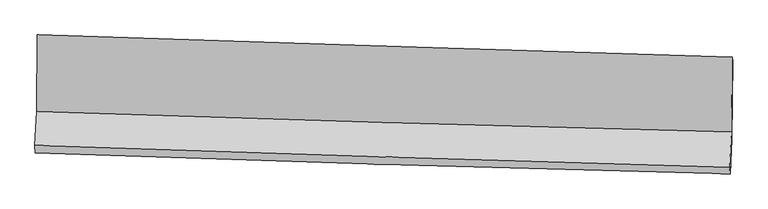
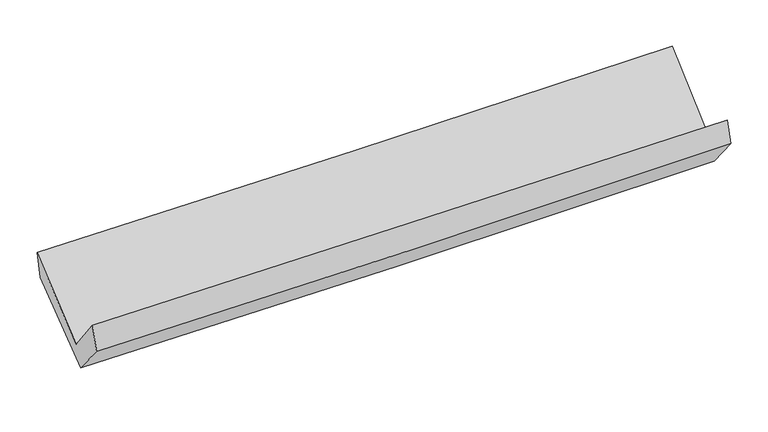
"""IFC4 building model written with IfcOpenShell, lengths in millimetres: proxy geometry."""

import ifcopenshell
import ifcopenshell.guid

model = None  # the IFC model being written
_history = None  # IfcOwnerHistory: only IFC2X3 demands one
_inside = {}  # id of a spatial element -> (the spatial element, [elements in it])
_under = {}  # id of a project, library or spatial element -> (it, [spatial elements below it])
_declared = {}  # id of a project -> (the project, [libraries it declares])
_typed = {}  # id of a type object -> (the type object, [elements of that type])
_made_of = {}  # id of a material, layer set ... -> (it, [elements and type objects made of it])


def new_model(schema):
    """Start an empty IFC model of exactly this schema.

    Asked for "IFC4X3", IfcOpenShell would pick the latest addendum, in which some entities
    have other attributes; the version numbers below select the first issue.
    IFC2X3 requires an IfcOwnerHistory on every rooted entity: one is made here for all.
    """
    global model, _history
    if schema == "IFC4X3":
        model = ifcopenshell.file(schema_version=(4, 3, 0, 0))
    else:
        model = ifcopenshell.file(schema=schema)
    _inside.clear()
    _under.clear()
    _declared.clear()
    _typed.clear()
    _made_of.clear()
    _history = None
    if model.schema == "IFC2X3":
        org = make("IfcOrganization", Name="unknown")
        user = make(
            "IfcPersonAndOrganization",
            ThePerson=make("IfcPerson", FamilyName="unknown"),
            TheOrganization=org,
        )
        app = make(
            "IfcApplication",
            ApplicationDeveloper=org,
            Version="unknown",
            ApplicationFullName="unknown",
            ApplicationIdentifier="unknown",
        )
        _history = make(
            "IfcOwnerHistory",
            OwningUser=user,
            OwningApplication=app,
            ChangeAction="ADDED",
            CreationDate=0,
        )
    return model


def make(cls, **values):
    """One entity of the class cls with the attributes given. An attribute that is None is left unset."""
    return model.create_entity(
        cls, **{name: value for name, value in values.items() if value is not None}
    )


def rooted(cls, **values):
    """An entity with a GlobalId (a new one), such as an element, a storey or a relation."""
    return make(cls, GlobalId=ifcopenshell.guid.new(), OwnerHistory=_history, **values)


def si_unit(unit_type, name, prefix=None):
    """IfcSIUnit, for example si_unit("LENGTHUNIT", "METRE", prefix="MILLI")."""
    return make("IfcSIUnit", UnitType=unit_type, Prefix=prefix, Name=name)


def assignment(units):
    """IfcUnitAssignment: the units of a project."""
    return None if units is None else make("IfcUnitAssignment", Units=units)


def point(xyz):
    """IfcCartesianPoint."""
    return None if xyz is None else make("IfcCartesianPoint", Coordinates=xyz)


def direction(xyz):
    """IfcDirection."""
    return None if xyz is None else make("IfcDirection", DirectionRatios=xyz)


def frame(location, z_axis=None, x_axis=None):
    """IfcAxis2Placement3D, a coordinate frame: its origin and axes. An axis left out is left unset."""
    return make(
        "IfcAxis2Placement3D",
        Location=point(location),
        Axis=direction(z_axis),
        RefDirection=direction(x_axis),
    )


def origin():
    """The frame at (0, 0, 0) with its axes left unset."""
    return frame((0.0, 0.0, 0.0))


def place(relative_to, where):
    """IfcLocalPlacement: puts the frame where relative to a parent placement (None: the world)."""
    return make(
        "IfcLocalPlacement", PlacementRelTo=relative_to, RelativePlacement=where
    )


def context(
    kind, dimensions, precision=None, world=None, true_north=None, identifier=None
):
    """IfcGeometricRepresentationContext, for example the 3D "Model" context."""
    return make(
        "IfcGeometricRepresentationContext",
        ContextIdentifier=identifier,
        ContextType=kind,
        CoordinateSpaceDimension=dimensions,
        Precision=precision,
        WorldCoordinateSystem=world,
        TrueNorth=true_north,
    )


def project(units=None, contexts=None):
    """IfcProject with its units and contexts."""
    return rooted(
        "IfcProject",
        Name="project",
        RepresentationContexts=contexts,
        UnitsInContext=assignment(units),
    )


def spatial(cls, under=None, at=None, **own):
    """A site, building, storey or space (cls), placed at a placement, below another one or the project."""
    s = rooted(cls, ObjectPlacement=at, **own)
    if under is not None:
        _under.setdefault(under.id(), (under, []))[1].append(s)
    return s


def shape(context_of_items, identifier, shape_type, items):
    """IfcShapeRepresentation: the items that make up one representation, for example the "Body"."""
    return make(
        "IfcShapeRepresentation",
        ContextOfItems=context_of_items,
        RepresentationIdentifier=identifier,
        RepresentationType=shape_type,
        Items=items,
    )


def source(mapping_origin, context_of_items, identifier, shape_type, items):
    """IfcRepresentationMap: a shape defined once, which mapped items show again and again."""
    return make(
        "IfcRepresentationMap",
        MappingOrigin=mapping_origin,
        MappedRepresentation=shape(context_of_items, identifier, shape_type, items),
    )


def transform(
    local_origin,
    x_axis=None,
    y_axis=None,
    z_axis=None,
    scale=None,
    scale2=None,
    scale3=None,
    uniform=True,
):
    """IfcCartesianTransformationOperator3D, or its non-uniform kind. x_axis, y_axis, z_axis: its Axis1, 2, 3."""
    if uniform:
        return make(
            "IfcCartesianTransformationOperator3D",
            Axis1=direction(x_axis),
            Axis2=direction(y_axis),
            LocalOrigin=point(local_origin),
            Scale=scale,
            Axis3=direction(z_axis),
        )
    return make(
        "IfcCartesianTransformationOperator3DnonUniform",
        Axis1=direction(x_axis),
        Axis2=direction(y_axis),
        LocalOrigin=point(local_origin),
        Scale=scale,
        Axis3=direction(z_axis),
        Scale2=scale2,
        Scale3=scale3,
    )


def mapped(mapping_source, mapping_target):
    """IfcMappedItem: shows the shape of a source again, moved by a transform."""
    return make(
        "IfcMappedItem", MappingSource=mapping_source, MappingTarget=mapping_target
    )


def made_of(thing, what):
    """Note that an element or type object is made of a material, layer set ...; save() writes the relation."""
    if what is not None:
        _made_of.setdefault(what.id(), (what, []))[1].append(thing)
    return thing


def element(
    cls,
    number,
    at=None,
    inside=None,
    cuts=None,
    type_object=None,
    material=None,
    context=None,
    identifier="Body",
    shape_type=None,
    held_by="IfcProductDefinitionShape",
    body=None,
    shapes=None,
    **own,
):
    """One element of the class cls, such as IfcWall. Its Tag is "e" and its number.

    at: its placement. inside: the storey or other place that contains it. cuts: it is an
    opening in that element (IfcRelVoidsElement). A single representation is given by context,
    identifier, shape_type and body (its items); several are given by shapes. held_by: the class
    of the entity that holds the representations. save() writes the other relations.
    """
    e = rooted(cls, Tag="e%d" % number, ObjectPlacement=at, **own)
    if body is not None:
        shapes = [shape(context, identifier, shape_type, body)]
    if shapes is not None:
        e.Representation = make(held_by, Representations=shapes)
    if inside is not None:
        _inside.setdefault(inside.id(), (inside, []))[1].append(e)
    if cuts is not None:
        rooted(
            "IfcRelVoidsElement", RelatingBuildingElement=cuts, RelatedOpeningElement=e
        )
    if type_object is not None:
        _typed.setdefault(type_object.id(), (type_object, []))[1].append(e)
    return made_of(e, material)


def aggregate(whole, parts):
    """IfcRelAggregates: a whole, such as a stair, and the parts it consists of."""
    return rooted("IfcRelAggregates", RelatingObject=whole, RelatedObjects=parts)


def save(model, path):
    """Write the relations noted so far, then the file.

    IfcRelAggregates (storeys below a building ...), IfcRelContainedInSpatialStructure (elements
    in a storey), IfcRelDefinesByType, IfcRelAssociatesMaterial and IfcRelDeclares: one each for
    every whole, place, type object, material and project.
    """
    for whole, parts in _under.values():
        aggregate(whole, parts)
    for where, things in _inside.values():
        rooted(
            "IfcRelContainedInSpatialStructure",
            RelatedElements=things,
            RelatingStructure=where,
        )
    for kind, things in _typed.values():
        rooted("IfcRelDefinesByType", RelatedObjects=things, RelatingType=kind)
    for what, things in _made_of.values():
        rooted("IfcRelAssociatesMaterial", RelatedObjects=things, RelatingMaterial=what)
    for by, libraries in _declared.values():
        rooted("IfcRelDeclares", RelatingContext=by, RelatedDefinitions=libraries)
    model.write(path)


def plane_surface(at):
    """IfcPlane: the flat surface through the origin of the frame at, square to its z axis."""
    return make("IfcPlane", Position=at)


def spline_curve(degree, points, multiplicities, knots, weights=None):
    """IfcBSplineCurveWithKnots; with weights, IfcRationalBSplineCurveWithKnots."""
    own = dict(
        Degree=degree,
        ControlPointsList=[point(p) for p in points],
        CurveForm="UNSPECIFIED",
        ClosedCurve=False,
        SelfIntersect=False,
        KnotMultiplicities=multiplicities,
        Knots=knots,
        KnotSpec="UNSPECIFIED",
    )
    if weights is None:
        return make("IfcBSplineCurveWithKnots", **own)
    return make("IfcRationalBSplineCurveWithKnots", WeightsData=weights, **own)


def spline_surface(u_degree, v_degree, points, u_multiplicities, v_multiplicities, u_knots, v_knots, weights=None):
    """IfcBSplineSurfaceWithKnots; with weights, IfcRationalBSplineSurfaceWithKnots. points: one row for each step in u."""
    own = dict(
        UDegree=u_degree,
        VDegree=v_degree,
        ControlPointsList=[[point(p) for p in row] for row in points],
        SurfaceForm="UNSPECIFIED",
        UClosed=False,
        VClosed=False,
        SelfIntersect=False,
        UMultiplicities=u_multiplicities,
        VMultiplicities=v_multiplicities,
        UKnots=u_knots,
        VKnots=v_knots,
        KnotSpec="UNSPECIFIED",
    )
    if weights is None:
        return make("IfcBSplineSurfaceWithKnots", **own)
    return make("IfcRationalBSplineSurfaceWithKnots", WeightsData=weights, **own)


def advanced_brep(points, edges, surfaces, faces):
    """IfcAdvancedBrep: a solid bounded by faces that lie on surfaces and meet in shared edges.

    An edge is (start, end): straight between two places in points (the first is 0);
    or (start, end, curve); or (start, end, curve, False) where it runs against its curve.
    A face is (place in surfaces, loops), or (place, loops, False) where it looks against
    its surface's normal. A loop lists edges by number (the first is 1), with a minus sign
    where the edge is run from its end to its start. The first loop is the outer one.
    """
    corners = [point(p) for p in points]
    vertices = [make("IfcVertexPoint", VertexGeometry=c) for c in corners]
    made = []
    for start, end, *more in edges:
        made.append(
            make(
                "IfcEdgeCurve",
                EdgeStart=vertices[start],
                EdgeEnd=vertices[end],
                EdgeGeometry=more[0] if more else make("IfcPolyline", Points=[corners[start], corners[end]]),
                SameSense=more[1] if len(more) > 1 else True,
            )
        )
    hull = []
    for where, loops, *sense in faces:
        bounds = []
        for j, loop in enumerate(loops):
            ring = [make("IfcOrientedEdge", EdgeElement=made[abs(k) - 1], Orientation=k > 0) for k in loop]
            bounds.append(
                make(
                    "IfcFaceOuterBound" if j == 0 else "IfcFaceBound",
                    Bound=make("IfcEdgeLoop", EdgeList=ring),
                    Orientation=True,
                )
            )
        hull.append(make("IfcAdvancedFace", Bounds=bounds, FaceSurface=surfaces[where], SameSense=sense[0] if sense else True))
    return make("IfcAdvancedBrep", Outer=make("IfcClosedShell", CfsFaces=hull))


def generic_models_9b398347(model_context):
    return source(origin(), model_context, "Body", "AdvancedBrep", [
        advanced_brep(
        [(-2403.6923637, -1120.4993484, 2190.8758229), (-2407.7572764, -1650.7548554, 1766.4346614), (2396.0136608, -1791.8190379, 1836.6489431), (2400.449327, -1273.3747433, 2283.8773229), (-2419.9825441, -1887.3800212, 2070.6564676), (2383.2339718, -2039.4934153, 2154.6725623), (-2417.4091492, -1939.2220253, 1888.3056628), (2385.4974003, -2082.9629738, 1985.7424093), (-2405.7135811, -1705.454863, 1605.8718507), (2397.5216999, -1842.9631725, 1695.4970586), (-2400.8111546, -1158.7020113, 2009.8056962), (2403.2406951, -1302.2551806, 2107.4276014)],
        [
            (0, 1),
            (1, 2, spline_curve(3, [(-2407.7572764, -1650.7548554, 1766.4346614), (-1607.213675977, -1679.000391928, 1781.425436314), (-806.565122748, -1704.879974709, 1794.77267079), (794.691921664, -1751.899891775, 1818.176405334), (1595.300347773, -1773.041703535, 1828.233931375), (2396.0136608, -1791.8190379, 1836.6489431)], [4, 2, 4], [0.0, 7.886574568198077, 15.770687229107953])),
            (2, 3),
            (3, 0, spline_curve(3, [(2400.449327, -1273.3747433, 2283.8773229), (1599.975205337, -1248.702688114, 2264.078125276), (799.45550732, -1223.629095487, 2246.429275381), (-801.925027882, -1172.670881403, 2215.427432429), (-1602.785893306, -1146.786008862, 2202.075782201), (-2403.6923637, -1120.4993484, 2190.8758229)], [4, 2, 4], [0.0, 7.884112660909876, 15.770687229107953])),
            (1, 4),
            (4, 5, spline_curve(3, [(-2419.9825441, -1887.3800212, 2070.6564676), (-1619.343509847, -1913.783234387, 2083.345925046), (-818.693463826, -1939.66285435, 2096.693190492), (782.378715201, -1990.366992003, 2124.698966023), (1582.800840997, -2015.191837048, 2139.357065356), (2383.2339718, -2039.4934153, 2154.6725623)], [4, 2, 4], [0.0, 7.88567783457751, 15.768894041795072])),
            (5, 2),
            (4, 6),
            (6, 7, spline_curve(3, [(-2417.4091492, -1939.2220253, 1888.3056628), (-1616.814880996, -1967.018896575, 1898.755290928), (-816.213052715, -1992.897315021, 1912.101553614), (784.75580162, -2040.809767132, 1944.582277332), (1585.122823356, -2062.844998057, 1963.714930255), (2385.4974003, -2082.9629738, 1985.7424093)], [4, 2, 4], [0.0, 7.885443143602878, 15.76842473310796])),
            (7, 5),
            (6, 8),
            (8, 9, spline_curve(3, [(-2405.7135811, -1705.454863, 1605.8718507), (-1605.170014012, -1734.291096434, 1617.624097514), (-804.566129589, -1760.169566259, 1630.970403027), (796.512334983, -1806.003823114, 1660.846467124), (1596.986877648, -1825.96145658, 1677.375231077), (2397.5216999, -1842.9631725, 1695.4970586)], [4, 2, 4], [0.0, 7.885232917446321, 15.768004346419954])),
            (9, 7),
            (8, 10),
            (10, 11, spline_curve(3, [(-2400.8111546, -1158.7020113, 2009.8056962), (-1599.978989086, -1186.54087924, 2020.233370065), (-799.162759578, -1212.42463954, 2033.584091901), (802.187847289, -1260.274475588, 2066.126551808), (1602.722234075, -1282.241771726, 2085.316464854), (2403.2406951, -1302.2551806, 2107.4276014)], [4, 2, 4], [0.0, 7.886171387472513, 15.769880993515468])),
            (11, 9),
            (10, 0),
            (3, 11),
        ],
        [
            spline_surface(3, 3, [[(-2403.6923637, -1120.4993484, 2190.8758229), (-1602.785893322, -1146.786008878, 2202.07578211), (-801.925027839, -1172.670881374, 2215.42743233), (799.455507278, -1223.629095516, 2246.42927548), (1599.975205325, -1248.702688019, 2264.078125265), (2400.449327, -1273.3747433, 2283.8773229)], [(-2405.047334587, -1297.25118404, 2049.395435738), (-1604.261820829, -1324.190803226, 2061.859000177), (-803.471726139, -1350.073912439, 2075.209178458), (797.867645467, -1399.719360961, 2103.678318764), (1598.416919471, -1423.482359826, 2118.796727344), (2398.970771601, -1446.189508173, 2134.801196307)], [(-2406.402305513, -1474.00301976, 1907.915048562), (-1605.737748375, -1501.595597656, 1921.642218231), (-805.018424535, -1527.476943536, 1934.990924625), (796.279783562, -1575.809626437, 1960.927362087), (1596.858633615, -1598.262031612, 1973.515329403), (2397.492216199, -1619.004273027, 1985.725069693)], [(-2407.7572764, -1650.7548554, 1766.4346614), (-1607.213675882, -1679.000392005, 1781.425436298), (-806.565122835, -1704.879974601, 1794.772670753), (794.691921752, -1751.899891883, 1818.176405371), (1595.300347761, -1773.041703418, 1828.233931482), (2396.0136608, -1791.8190379, 1836.6489431)]], [4, 4], [4, 2, 4], [0.0, 2.2284057571862768], [0.0, 7.886574568198077, 15.770687229107953]),
            spline_surface(3, 3, [[(-2407.7572764, -1650.7548554, 1766.4346614), (-1607.213675882, -1679.000392005, 1781.425436298), (-806.565122835, -1704.879974601, 1794.772670753), (794.691921752, -1751.899891883, 1818.176405371), (1595.300347761, -1773.041703418, 1828.233931482), (2396.0136608, -1791.8190379, 1836.6489431)], [(-2411.832365647, -1729.629910696, 1867.841930149), (-1611.256953909, -1757.261339488, 1882.065599203), (-810.607903135, -1783.140934485, 1895.41284401), (790.587519538, -1831.388925286, 1920.350592256), (1591.133845455, -1853.758414587, 1931.941642786), (2391.753764455, -1874.377163693, 1942.656816161)], [(-2415.907454853, -1808.504965904, 1969.249198851), (-1615.300231896, -1835.522286884, 1982.705762059), (-814.650683436, -1861.401894373, 1996.05301725), (786.483117324, -1910.877958692, 2022.524779124), (1586.967343184, -1934.475125774, 2035.649354105), (2387.493868145, -1956.935289507, 2048.664689239)], [(-2419.9825441, -1887.3800212, 2070.6564676), (-1619.343509922, -1913.783234367, 2083.345924963), (-818.693463736, -1939.662854257, 2096.693190506), (782.378715111, -1990.366992096, 2124.698966009), (1582.800840878, -2015.191836942, 2139.357065409), (2383.2339718, -2039.4934153, 2154.6725623)]], [4, 4], [4, 2, 4], [0.0, 1.265106365456363], [0.0, 7.88567783457751, 15.768894041795072]),
            spline_surface(3, 3, [[(-2419.9825441, -1887.3800212, 2070.6564676), (-1619.343509922, -1913.783234367, 2083.345924963), (-818.693463736, -1939.662854257, 2096.693190506), (782.378715111, -1990.366992096, 2124.698966009), (1582.800840878, -2015.191836942, 2139.357065409), (2383.2339718, -2039.4934153, 2154.6725623)], [(-2419.124745797, -1904.660689224, 2009.87286598), (-1618.500633605, -1931.528455095, 2021.815713638), (-817.866660115, -1957.407674527, 2035.16264489), (783.171077299, -2007.181250394, 2064.660069785), (1583.574835045, -2031.076223966, 2080.80968702), (2383.988447955, -2053.983268126, 2098.362511313)], [(-2418.266947503, -1921.941357276, 1949.08926442), (-1617.657757297, -1949.27367585, 1960.285502371), (-817.039856442, -1975.152494844, 1973.63209925), (783.963439537, -2023.995508741, 2004.621173538), (1584.348829248, -2046.960611011, 2022.262308592), (2384.742924145, -2068.473120974, 2042.052460287)], [(-2417.4091492, -1939.2220253, 1888.3056628), (-1616.81488098, -1967.018896577, 1898.755291045), (-816.21305282, -1992.897315114, 1912.101553633), (784.755801724, -2040.809767039, 1944.582277314), (1585.122823414, -2062.844998035, 1963.714930203), (2385.4974003, -2082.9629738, 1985.7424093)]], [4, 4], [4, 2, 4], [0.0, 0.6220327238079013], [0.0, 7.885443143602878, 15.76842473310796]),
            spline_surface(3, 3, [[(-2417.4091492, -1939.2220253, 1888.3056628), (-1616.81488098, -1967.018896577, 1898.755291045), (-816.21305282, -1992.897315114, 1912.101553633), (784.755801724, -2040.809767039, 1944.582277314), (1585.122823414, -2062.844998035, 1963.714930203), (2385.4974003, -2082.9629738, 1985.7424093)], [(-2413.510626502, -1861.299637872, 1794.161058785), (-1612.933258654, -1889.442963223, 1805.044893198), (-812.330745078, -1915.321398837, 1818.391170041), (788.674646174, -1962.541119065, 1850.003673945), (1589.077508177, -1983.883817542, 1868.268363837), (2389.505500188, -2002.963040048, 1888.993959061)], [(-2409.612103798, -1783.377250428, 1700.016454715), (-1609.051636324, -1811.867029853, 1711.334495295), (-808.448437379, -1837.745482548, 1724.680786493), (792.593490581, -1884.272471077, 1755.425070619), (1593.032192876, -1904.922637003, 1772.821797488), (2393.513600012, -1922.963106252, 1792.245508839)], [(-2405.7135811, -1705.454863, 1605.8718507), (-1605.170013998, -1734.291096498, 1617.624097448), (-804.566129636, -1760.169566271, 1630.970402902), (796.51233503, -1806.003823102, 1660.84646725), (1596.986877639, -1825.96145651, 1677.375231122), (2397.5216999, -1842.9631725, 1695.4970586)]], [4, 4], [4, 2, 4], [0.0, 1.2034564289432625], [0.0, 7.885232917446321, 15.768004346419954]),
            spline_surface(3, 3, [[(-2405.7135811, -1705.454863, 1605.8718507), (-1605.170013998, -1734.291096498, 1617.624097448), (-804.566129636, -1760.169566271, 1630.970402902), (796.51233503, -1806.003823102, 1660.84646725), (1596.986877639, -1825.96145651, 1677.375231122), (2397.5216999, -1842.9631725, 1695.4970586)], [(-2404.079438938, -1523.203912411, 1740.516465841), (-1603.439672375, -1551.707690719, 1751.82718832), (-802.765006247, -1577.587924048, 1765.174965941), (798.404172403, -1624.094040605, 1795.939828749), (1598.898663094, -1644.721561552, 1813.355642381), (2399.42803161, -1662.727175198, 1832.807239522)], [(-2402.445296762, -1340.952961889, 1875.161081059), (-1601.709330737, -1369.124285008, 1886.03027927), (-800.963882842, -1395.006281783, 1899.379528952), (800.29600979, -1442.184258065, 1931.033190218), (1600.81044862, -1463.481666601, 1949.336053674), (2401.33436339, -1482.491177902, 1970.117420478)], [(-2400.8111546, -1158.7020113, 2009.8056962), (-1599.978989114, -1186.540879228, 2020.233370143), (-799.162759452, -1212.42463956, 2033.584091992), (802.187847163, -1260.274475568, 2066.126551718), (1602.722234075, -1282.241771642, 2085.316464933), (2403.2406951, -1302.2551806, 2107.4276014)]], [4, 4], [4, 2, 4], [0.0, 2.2303082935792053], [0.0, 7.886171387472513, 15.769880993515468]),
            spline_surface(3, 3, [[(-2400.8111546, -1158.7020113, 2009.8056962), (-1599.978989114, -1186.540879228, 2020.233370143), (-799.162759452, -1212.42463956, 2033.584091992), (802.187847163, -1260.274475568, 2066.126551718), (1602.722234075, -1282.241771642, 2085.316464933), (2403.2406951, -1302.2551806, 2107.4276014)], [(-2401.77155763, -1145.967790358, 2070.162405106), (-1600.914623847, -1173.289255802, 2080.847507472), (-800.083515605, -1199.17338684, 2094.198538776), (801.277067177, -1248.059348893, 2126.227459643), (1601.80655785, -1271.062077096, 2144.903685047), (2402.310239092, -1292.628368161, 2166.244175236)], [(-2402.73196067, -1133.233569342, 2130.519113994), (-1601.850258589, -1160.037632304, 2141.461644781), (-801.004271686, -1185.922134094, 2154.812985546), (800.366287263, -1235.844222191, 2186.328367555), (1600.89088155, -1259.882382566, 2204.490905151), (2401.379783008, -1283.001555739, 2225.060749064)], [(-2403.6923637, -1120.4993484, 2190.8758229), (-1602.785893322, -1146.786008878, 2202.07578211), (-801.925027839, -1172.670881374, 2215.42743233), (799.455507278, -1223.629095516, 2246.42927548), (1599.975205325, -1248.702688019, 2264.078125265), (2400.449327, -1273.3747433, 2283.8773229)]], [4, 4], [4, 2, 4], [0.0, 0.6072153258417207], [0.0, 7.887323579592067, 15.772185018081291]),
            plane_surface(frame((2394.3261258, -1722.1447539, 2010.6443162), z_axis=(0.9994652329005788, -0.025838623137455004, 0.020040303823866557), x_axis=(0.008413156619385053, 0.79543012685594, 0.6059869075199902))),
            plane_surface(frame((-2409.2276782, -1577.0021874, 1921.9916936), z_axis=(-0.9994766722395233, 0.02453566363560675, -0.021080390389387645), x_axis=(0.015567478337134727, -0.2064130395463052, -0.9783411014178431))),
        ],
        [
            (0, [[1, 2, 3, 4]]),
            (1, [[5, 6, 7, -2]]),
            (2, [[8, 9, 10, -6]]),
            (3, [[11, 12, 13, -9]]),
            (4, [[14, 15, 16, -12]]),
            (5, [[17, -4, 18, -15]]),
            (6, [[-16, -18, -3, -7, -10, -13]]),
            (7, [[-17, -14, -11, -8, -5, -1]]),
        ],
    ),
    ])


if __name__ == "__main__":
    model = new_model("IFC4")
    model_context = context("Model", 3, world=origin())
    ifc_project = project(units=[si_unit("LENGTHUNIT", "METRE", prefix="MILLI")], contexts=[model_context])
    site = spatial("IfcSite", under=ifc_project)
    building = spatial("IfcBuilding", under=site)
    placement = place(None, origin())
    generic_models_shape = generic_models_9b398347(model_context)
    element("IfcBuildingElementProxy", 1, Name="Generic Models", at=placement, inside=building, context=model_context, shape_type="MappedRepresentation", body=[
        mapped(generic_models_shape, transform((0.0, 0.0, 0.0), x_axis=(1.0, 0.0, 0.0), y_axis=(0.0, 1.0, 0.0), z_axis=(0.0, 0.0, 1.0))),
    ])
    save(model, "model.ifc")
